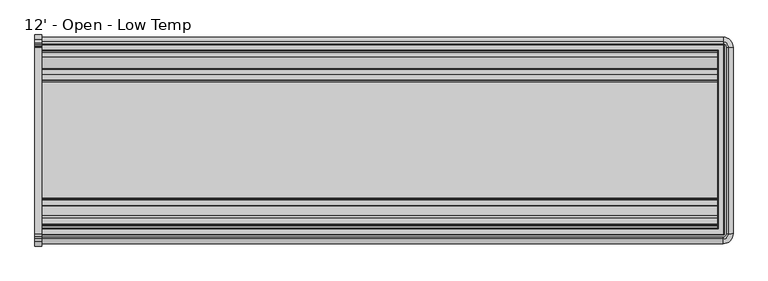
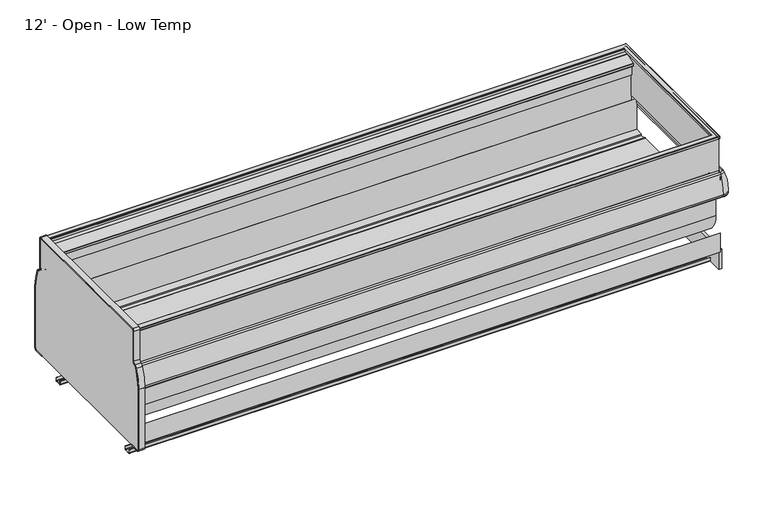
"""IFC4 building model written with IfcOpenShell, lengths in millimetres: proxy geometry, 12' - Open - Low Temp."""

from ifc_helpers import new_model, si_unit, point, frame, frame_2d, origin, place, context, project, spatial, polyline, circle_curve, ellipse_curve, trimmed, segment, composite_curve, outline, extrude, source, transform, mapped, element, save
from ifc_brep_helpers import plane_surface, cylinder_surface, revolved_surface, advanced_brep


def proxy_12_open_low_temp_ffdd894d(model_context):
    return source(origin(), model_context, "Body", "SolidModel", [
        extrude(outline(composite_curve([segment(trimmed(circle_curve(frame_2d((-706.3089273, 750.8546562)), 311.15), [point((-395.1589273, 750.8546562))], [point((-421.4314087, 875.9910693))], True, "CARTESIAN"), True, "CONTINUOUS"), segment(trimmed(circle_curve(frame_2d((-438.8728894, 868.3296562)), 19.05), [point((-421.4314087, 875.9910693))], [point((-432.2872626, 886.2051148))], True, "CARTESIAN"), True, "CONTINUOUS"), segment(trimmed(circle_curve(frame_2d((-423.5064268, 910.0390596)), 25.4), [point((-432.2872626, 886.2051148))], [point((-448.9064268, 910.0390596))], False, "CARTESIAN"), True, "CONTINUOUS"), segment(polyline([(-448.9064268, 910.0390596), (-448.9064268, 1109.56602)]), True, "CONTINUOUS"), segment(trimmed(circle_curve(frame_2d((-455.2564268, 1109.56602)), 6.35), [point((-448.9064268, 1109.56602))], [point((-455.2564268, 1115.91602))], True, "CARTESIAN"), True, "CONTINUOUS"), segment(polyline([(-455.2564268, 1115.91602), (-1468.5364278, 1115.91602)]), True, "CONTINUOUS"), segment(trimmed(circle_curve(frame_2d((-1468.5364278, 1109.56602)), 6.35), [point((-1468.5364278, 1115.91602))], [point((-1474.8864278, 1109.56602))], True, "CARTESIAN"), True, "CONTINUOUS"), segment(polyline([(-1474.8864278, 1109.56602), (-1474.8864278, 910.0390596)]), True, "CONTINUOUS"), segment(trimmed(circle_curve(frame_2d((-1500.2864278, 910.0390596)), 25.4), [point((-1474.8864278, 910.0390596))], [point((-1491.505592, 886.2051148))], False, "CARTESIAN"), True, "CONTINUOUS"), segment(trimmed(circle_curve(frame_2d((-1484.9199652, 868.3296562)), 19.05), [point((-1491.505592, 886.2051148))], [point((-1502.3614459, 875.9910693))], True, "CARTESIAN"), True, "CONTINUOUS"), segment(trimmed(circle_curve(frame_2d((-1217.4839273, 750.8546562)), 311.15), [point((-1502.3614459, 875.9910693))], [point((-1528.6339273, 750.8546562))], True, "CARTESIAN"), True, "CONTINUOUS"), segment(polyline([(-1528.6339273, 750.8546562), (-1528.6339273, 344.70852)]), True, "CONTINUOUS"), segment(trimmed(circle_curve(frame_2d((-1515.9339273, 344.70852)), 12.7), [point((-1528.6339273, 344.70852))], [point((-1515.9339273, 332.00852))], True, "CARTESIAN"), True, "CONTINUOUS"), segment(polyline([(-1515.9339273, 332.00852), (-1455.9322513, 332.00852), (-1455.9322513, 325.65852), (-1515.9339273, 325.65852)]), True, "CONTINUOUS"), segment(trimmed(circle_curve(frame_2d((-1515.9339273, 344.70852)), 19.05), [point((-1515.9339273, 325.65852))], [point((-1534.9839273, 344.70852))], False, "CARTESIAN"), True, "CONTINUOUS"), segment(polyline([(-1534.9839273, 344.70852), (-1534.9839273, 750.8546562)]), True, "CONTINUOUS"), segment(trimmed(circle_curve(frame_2d((-1217.4839273, 750.8546562)), 317.5), [point((-1534.9839273, 750.8546562))], [point((-1508.1752729, 878.5448736))], False, "CARTESIAN"), True, "CONTINUOUS"), segment(trimmed(circle_curve(frame_2d((-1484.9199652, 868.3296562)), 25.4), [point((-1508.1752729, 878.5448736))], [point((-1493.700801, 892.163601))], False, "CARTESIAN"), True, "CONTINUOUS"), segment(trimmed(circle_curve(frame_2d((-1500.2864278, 910.0390596)), 19.05), [point((-1493.700801, 892.163601))], [point((-1481.2364278, 910.0390596))], True, "CARTESIAN"), True, "CONTINUOUS"), segment(polyline([(-1481.2364278, 910.0390596), (-1481.2364278, 1109.56602)]), True, "CONTINUOUS"), segment(trimmed(circle_curve(frame_2d((-1468.5364278, 1109.56602)), 12.7), [point((-1481.2364278, 1109.56602))], [point((-1468.5364278, 1122.26602))], False, "CARTESIAN"), True, "CONTINUOUS"), segment(polyline([(-1468.5364278, 1122.26602), (-455.2564268, 1122.26602)]), True, "CONTINUOUS"), segment(trimmed(circle_curve(frame_2d((-455.2564268, 1109.56602)), 12.7), [point((-455.2564268, 1122.26602))], [point((-442.5564268, 1109.56602))], False, "CARTESIAN"), True, "CONTINUOUS"), segment(polyline([(-442.5564268, 1109.56602), (-442.5564268, 910.0390596)]), True, "CONTINUOUS"), segment(trimmed(circle_curve(frame_2d((-423.5064268, 910.0390596)), 19.05), [point((-442.5564268, 910.0390596))], [point((-430.0920536, 892.163601))], True, "CARTESIAN"), True, "CONTINUOUS"), segment(trimmed(circle_curve(frame_2d((-438.8728894, 868.3296562)), 25.4), [point((-430.0920536, 892.163601))], [point((-415.6175817, 878.5448736))], False, "CARTESIAN"), True, "CONTINUOUS"), segment(trimmed(circle_curve(frame_2d((-706.3089273, 750.8546562)), 317.5), [point((-415.6175817, 878.5448736))], [point((-388.8089273, 750.8546562))], False, "CARTESIAN"), True, "CONTINUOUS"), segment(polyline([(-388.8089273, 750.8546562), (-388.8089273, 344.70852)]), True, "CONTINUOUS"), segment(trimmed(circle_curve(frame_2d((-407.8589273, 344.70852)), 19.05), [point((-388.8089273, 344.70852))], [point((-407.8589273, 325.65852))], False, "CARTESIAN"), True, "CONTINUOUS"), segment(polyline([(-407.8589273, 325.65852), (-466.0942513, 325.65852), (-466.0942513, 332.00852), (-407.8589273, 332.00852)]), True, "CONTINUOUS"), segment(trimmed(circle_curve(frame_2d((-407.8589273, 344.70852)), 12.7), [point((-407.8589273, 332.00852))], [point((-395.1589273, 344.70852))], True, "CARTESIAN"), True, "CONTINUOUS"), segment(polyline([(-395.1589273, 344.70852), (-395.1589273, 750.8546562)]), True, "CONTINUOUS")], self_intersect=False)), frame((-38.1, 0.0, 0.0), z_axis=(1.0, 0.0, 0.0), x_axis=(0.0, 1.0, 0.0)), (0.0, 0.0, 1.0), 38.1),
        extrude(outline(composite_curve([segment(polyline([(-395.1589273, 750.8546562), (-395.1589273, 344.70852)]), True, "CONTINUOUS"), segment(trimmed(circle_curve(frame_2d((-407.8589273, 344.70852)), 12.7), [point((-395.1589273, 344.70852))], [point((-407.8589273, 332.00852))], False, "CARTESIAN"), True, "CONTINUOUS"), segment(polyline([(-407.8589273, 332.00852), (-1515.9339273, 332.00852)]), True, "CONTINUOUS"), segment(trimmed(circle_curve(frame_2d((-1515.9339273, 344.70852)), 12.7), [point((-1515.9339273, 332.00852))], [point((-1528.6339273, 344.70852))], False, "CARTESIAN"), True, "CONTINUOUS"), segment(polyline([(-1528.6339273, 344.70852), (-1528.6339273, 750.8546562)]), True, "CONTINUOUS"), segment(trimmed(circle_curve(frame_2d((-1217.4839273, 750.8546562)), 311.15), [point((-1528.6339273, 750.8546562))], [point((-1502.3614459, 875.9910693))], False, "CARTESIAN"), True, "CONTINUOUS"), segment(trimmed(circle_curve(frame_2d((-1484.9199652, 868.3296562)), 19.05), [point((-1502.3614459, 875.9910693))], [point((-1491.505592, 886.2051148))], False, "CARTESIAN"), True, "CONTINUOUS"), segment(trimmed(circle_curve(frame_2d((-1500.2864278, 910.0390596)), 25.4), [point((-1491.505592, 886.2051148))], [point((-1474.8864278, 910.0390596))], True, "CARTESIAN"), True, "CONTINUOUS"), segment(polyline([(-1474.8864278, 910.0390596), (-1474.8864278, 1109.56602)]), True, "CONTINUOUS"), segment(trimmed(circle_curve(frame_2d((-1468.5364278, 1109.56602)), 6.35), [point((-1474.8864278, 1109.56602))], [point((-1468.5364278, 1115.91602))], False, "CARTESIAN"), True, "CONTINUOUS"), segment(polyline([(-1468.5364278, 1115.91602), (-455.2564268, 1115.91602)]), True, "CONTINUOUS"), segment(trimmed(circle_curve(frame_2d((-455.2564268, 1109.56602)), 6.35), [point((-455.2564268, 1115.91602))], [point((-448.9064268, 1109.56602))], False, "CARTESIAN"), True, "CONTINUOUS"), segment(polyline([(-448.9064268, 1109.56602), (-448.9064268, 910.0390596)]), True, "CONTINUOUS"), segment(trimmed(circle_curve(frame_2d((-423.5064268, 910.0390596)), 25.4), [point((-448.9064268, 910.0390596))], [point((-432.2872626, 886.2051148))], True, "CARTESIAN"), True, "CONTINUOUS"), segment(trimmed(circle_curve(frame_2d((-438.8728894, 868.3296562)), 19.05), [point((-432.2872626, 886.2051148))], [point((-421.4314087, 875.9910693))], False, "CARTESIAN"), True, "CONTINUOUS"), segment(trimmed(circle_curve(frame_2d((-706.3089273, 750.8546562)), 311.15), [point((-421.4314087, 875.9910693))], [point((-395.1589273, 750.8546562))], False, "CARTESIAN"), True, "CONTINUOUS")], self_intersect=False)), frame((-38.1, 0.0, 0.0), z_axis=(1.0, 0.0, 0.0), x_axis=(0.0, 1.0, 0.0)), (0.0, 0.0, 1.0), 38.1),
        extrude(outline(polyline([(3726.649374, -466.0942513), (3726.649374, -1455.9322513), (3706.5148438, -1455.9322513), (3706.5148438, -466.0942513), (3726.649374, -466.0942513)])), frame((0.0, 0.0, 202.18277), z_axis=(0.0, 0.0, 1.0), x_axis=(1.0, 0.0, 0.0)), (0.0, 0.0, 1.0), 129.82575),
        extrude(outline(composite_curve([segment(trimmed(circle_curve(frame_2d((-631.6006513, 595.49542)), 6.35), [point((-637.6294873, 593.50152))], [point((-631.6006513, 589.14542))], True, "CARTESIAN"), True, "CONTINUOUS"), segment(polyline([(-631.6006513, 589.14542), (-603.0256513, 589.14542), (-603.0256513, 586.78322), (-1312.6508513, 586.78322), (-1312.6508513, 589.14542), (-1284.0758513, 589.14542)]), True, "CONTINUOUS"), segment(trimmed(circle_curve(frame_2d((-1284.0758513, 595.49542)), 6.35), [point((-1284.0758513, 589.14542))], [point((-1278.0470154, 593.50152))], True, "CARTESIAN"), True, "CONTINUOUS"), segment(trimmed(circle_curve(frame_2d((-1272.0181794, 591.50762)), 6.35), [point((-1278.0470154, 593.50152))], [point((-1272.0181794, 597.85762))], False, "CARTESIAN"), True, "CONTINUOUS"), segment(polyline([(-1272.0181794, 597.85762), (-643.6583232, 597.85762)]), True, "CONTINUOUS"), segment(trimmed(circle_curve(frame_2d((-643.6583232, 591.50762)), 6.35), [point((-643.6583232, 597.85762))], [point((-637.6294873, 593.50152))], False, "CARTESIAN"), True, "CONTINUOUS")], self_intersect=False)), frame((0.0, 0.0, 0.0), z_axis=(1.0, 0.0, 0.0), x_axis=(0.0, 1.0, 0.0)), (0.0, 0.0, 1.0), 3706.5148438),
        extrude(outline(polyline([(-1323.1509772, 332.00852), (-1475.9703113, 332.00852), (-1475.9703113, 460.2391669), (-1323.1509772, 332.00852)])), frame((0.0, 0.0, 0.0), z_axis=(1.0, 0.0, 0.0), x_axis=(0.0, 1.0, 0.0)), (0.0, 0.0, 1.0), 3706.5148438),
        extrude(outline(composite_curve([segment(polyline([(-1320.1946513, 227.08747), (-1320.1946513, 207.33897)]), True, "CONTINUOUS"), segment(trimmed(circle_curve(frame_2d((-1325.3508513, 207.33897)), 5.1562), [point((-1320.1946513, 207.33897))], [point((-1325.3508513, 202.18277))], False, "CARTESIAN"), True, "CONTINUOUS"), segment(polyline([(-1325.3508513, 202.18277), (-1360.5361197, 202.18277)]), True, "CONTINUOUS"), segment(trimmed(circle_curve(frame_2d((-1360.5361197, 207.33897)), 5.1562), [point((-1360.5361197, 202.18277))], [point((-1365.6923197, 207.33897))], False, "CARTESIAN"), True, "CONTINUOUS"), segment(polyline([(-1365.6923197, 207.33897), (-1365.6923197, 227.07477), (-1362.6507513, 227.07477), (-1362.6507513, 207.33897)]), True, "CONTINUOUS"), segment(trimmed(circle_curve(frame_2d((-1360.2631513, 207.33897)), 2.3876), [point((-1362.6507513, 207.33897))], [point((-1360.2631513, 204.95137))], True, "CARTESIAN"), True, "CONTINUOUS"), segment(polyline([(-1360.2631513, 204.95137), (-1325.3508513, 204.95137)]), True, "CONTINUOUS"), segment(trimmed(circle_curve(frame_2d((-1325.3508513, 207.33897)), 2.3876), [point((-1325.3508513, 204.95137))], [point((-1322.9632513, 207.33897))], True, "CARTESIAN"), True, "CONTINUOUS"), segment(polyline([(-1322.9632513, 207.33897), (-1322.9632513, 227.08747), (-1320.1946513, 227.08747)]), True, "CONTINUOUS")], self_intersect=False)), frame((0.0, 0.0, 0.0), z_axis=(1.0, 0.0, 0.0), x_axis=(0.0, 1.0, 0.0)), (0.0, 0.0, 1.0), 3706.5148438),
        extrude(outline(composite_curve([segment(polyline([(-601.8318513, 227.08747), (-599.0632513, 227.08747), (-599.0632513, 207.33897)]), True, "CONTINUOUS"), segment(trimmed(circle_curve(frame_2d((-596.6756513, 207.33897)), 2.3876), [point((-599.0632513, 207.33897))], [point((-596.6756513, 204.95137))], True, "CARTESIAN"), True, "CONTINUOUS"), segment(polyline([(-596.6756513, 204.95137), (-561.7633513, 204.95137)]), True, "CONTINUOUS"), segment(trimmed(circle_curve(frame_2d((-561.7633513, 207.33897)), 2.3876), [point((-561.7633513, 204.95137))], [point((-559.3757513, 207.33897))], True, "CARTESIAN"), True, "CONTINUOUS"), segment(polyline([(-559.3757513, 207.33897), (-559.3757513, 227.07477), (-556.6071513, 227.07477), (-556.6071513, 207.33897)]), True, "CONTINUOUS"), segment(trimmed(circle_curve(frame_2d((-561.7633513, 207.33897)), 5.1562), [point((-556.6071513, 207.33897))], [point((-561.7633513, 202.18277))], False, "CARTESIAN"), True, "CONTINUOUS"), segment(polyline([(-561.7633513, 202.18277), (-596.6756513, 202.18277)]), True, "CONTINUOUS"), segment(trimmed(circle_curve(frame_2d((-596.6756513, 207.33897)), 5.1562), [point((-596.6756513, 202.18277))], [point((-601.8318513, 207.33897))], False, "CARTESIAN"), True, "CONTINUOUS"), segment(polyline([(-601.8318513, 207.33897), (-601.8318513, 227.08747)]), True, "CONTINUOUS")], self_intersect=False)), frame((0.0, 0.0, 0.0), z_axis=(1.0, 0.0, 0.0), x_axis=(0.0, 1.0, 0.0)), (0.0, 0.0, 1.0), 3706.5148438),
        extrude(outline(polyline([(3672.0859375, -535.8055412), (3672.0859375, -559.6180412), (0.0, -559.6180412), (0.0, -535.8055412), (3672.0859375, -535.8055412)])), frame((0.0, 0.0, 986.69352), z_axis=(0.0, 0.0, 1.0), x_axis=(1.0, 0.0, 0.0)), (0.0, 0.0, 1.0), 76.2),
        extrude(outline(composite_curve([segment(polyline([(-559.6180412, 1062.89352), (-559.6180412, 1051.0452374), (-571.7875237, 1051.0452374)]), True, "CONTINUOUS"), segment(trimmed(circle_curve(frame_2d((-571.7875237, 1053.3566374)), 2.3114), [point((-571.7875237, 1051.0452374))], [point((-574.0989237, 1053.3566374))], False, "CARTESIAN"), True, "CONTINUOUS"), segment(polyline([(-574.0989237, 1053.3566374), (-574.0989237, 1067.7909777)]), True, "CONTINUOUS"), segment(trimmed(circle_curve(frame_2d((-571.7875237, 1067.7909777)), 2.3114), [point((-574.0989237, 1067.7909777))], [point((-572.578069, 1069.9629832))], False, "CARTESIAN"), True, "CONTINUOUS"), segment(polyline([(-572.578069, 1069.9629832), (-507.7688069, 1093.5516255)]), True, "CONTINUOUS"), segment(trimmed(circle_curve(frame_2d((-506.9782615, 1091.37962)), 2.3114), [point((-507.7688069, 1093.5516255))], [point((-506.9782615, 1093.69102))], False, "CARTESIAN"), True, "CONTINUOUS"), segment(polyline([(-506.9782615, 1093.69102), (-482.2433533, 1093.69102), (-482.2433533, 840.41492), (-498.2829273, 840.41492), (-498.2829273, 808.60777), (-549.0765773, 808.60777), (-549.0765773, 986.69352), (-535.8055412, 986.69352), (-535.8055412, 1062.89352), (-559.6180412, 1062.89352)]), True, "CONTINUOUS")], self_intersect=False)), frame((0.0, 0.0, 0.0), z_axis=(1.0, 0.0, 0.0), x_axis=(0.0, 1.0, 0.0)), (0.0, 0.0, 1.0), 3672.0859375),
        extrude(outline(composite_curve([segment(trimmed(circle_curve(frame_2d((-1417.1508503, 841.4633151)), 1.0483951), [point((-1417.1508503, 840.41492))], [point((-1418.1992454, 841.4633151))], False, "CARTESIAN"), True, "CONTINUOUS"), segment(polyline([(-1418.1992454, 841.4633151), (-1418.1992454, 861.3823037)]), True, "CONTINUOUS"), segment(trimmed(circle_curve(frame_2d((-1416.8146291, 861.3823037)), 1.3846163), [point((-1418.1992454, 861.3823037))], [point((-1416.8146291, 862.76692))], False, "CARTESIAN"), True, "CONTINUOUS"), segment(polyline([(-1416.8146291, 862.76692), (-1380.8816013, 862.76692), (-1380.8816013, 840.41492), (-1417.1508503, 840.41492)]), True, "CONTINUOUS")], self_intersect=False)), frame((0.0, 0.0, 0.0), z_axis=(1.0, 0.0, 0.0), x_axis=(0.0, 1.0, 0.0)), (0.0, 0.0, 1.0), 3672.0859375),
        extrude(outline(polyline([(3672.0859375, -1371.3566013), (3672.0859375, -1380.8816013), (0.0, -1380.8816013), (0.0, -1371.3566013), (3672.0859375, -1371.3566013)])), frame((0.0, 0.0, 830.58512), z_axis=(0.0, 0.0, 1.0), x_axis=(1.0, 0.0, 0.0)), (0.0, 0.0, 1.0), 156.1084),
        extrude(outline(composite_curve([segment(polyline([(-498.2829273, 808.60777), (-498.2829273, 567.7232408)]), True, "CONTINUOUS"), segment(trimmed(circle_curve(frame_2d((-650.6829273, 567.7232408)), 152.4), [point((-498.2829273, 567.7232408))], [point((-645.364244, 415.4160788))], False, "CARTESIAN"), True, "CONTINUOUS"), segment(polyline([(-645.364244, 415.4160788), (-1266.4759331, 393.268902)]), True, "CONTINUOUS"), segment(trimmed(circle_curve(frame_2d((-1271.9033854, 545.4803582)), 152.3081897), [point((-1266.4759331, 393.268902))], [point((-1424.2105725, 546.0329855))], False, "CARTESIAN"), True, "CONTINUOUS"), segment(polyline([(-1424.2105725, 546.0329855), (-1424.2105725, 840.41492), (-1380.8816013, 840.41492), (-1380.8816013, 830.58512), (-1371.3566013, 830.58512), (-1371.3566013, 599.8346341), (-1319.1220273, 599.8346341), (-1319.1220273, 582.1562341), (-602.2578273, 582.1562341), (-602.2578273, 599.34352), (-549.0765773, 599.34352), (-549.0765773, 808.60777), (-498.2829273, 808.60777)]), True, "CONTINUOUS")], self_intersect=False)), frame((0.0, 0.0, 0.0), z_axis=(1.0, 0.0, 0.0), x_axis=(0.0, 1.0, 0.0)), (0.0, 0.0, 1.0), 3706.5148438),
        advanced_brep(
        [(0.0, -1468.5687513, 1099.2231802), (0.0, -1469.9408252, 1096.6426846), (0.0, -1472.8095089, 1097.3049725), (0.0, -1473.2477185, 1109.8536533), (0.0, -1470.9377266, 1112.24572), (0.0, -1441.7098388, 1112.24572), (0.0, -1439.3984388, 1109.93432), (0.0, -1439.3984388, 1097.94552), (0.0, -1441.5812513, 1097.94552), (0.0, -1441.5812513, 1108.82942), (0.0, -1468.5687513, 1108.82942), (0.0, -446.0758361, 1099.2231802), (0.0, -446.0758361, 1108.82942), (0.0, -473.0633361, 1108.82942), (0.0, -473.0633361, 1097.94552), (0.0, -475.2461486, 1097.94552), (0.0, -475.2461486, 1109.93432), (0.0, -472.9347486, 1112.24572), (0.0, -443.7068608, 1112.24572), (0.0, -441.3968689, 1109.8536533), (0.0, -441.8350785, 1097.3049725), (0.0, -444.7037622, 1096.6426846), (3699.134824, -446.0758361, 1099.2231802), (3699.134824, -446.0758361, 1108.82942), (3699.134824, -1468.5687513, 1108.82942), (3672.147324, -1441.5812513, 1108.82942), (3672.147324, -473.0633361, 1108.82942), (3672.147324, -473.0633361, 1097.94552), (3672.147324, -1441.5812513, 1097.94552), (3669.9645115, -1439.3984388, 1097.94552), (3669.9645115, -475.2461486, 1097.94552), (3669.9645115, -475.2461486, 1109.93432), (3672.2759115, -472.9347486, 1112.24572), (3672.2759115, -1441.7098388, 1112.24572), (3701.5037993, -1470.9377266, 1112.24572), (3701.5037993, -443.7068608, 1112.24572), (3703.8137912, -441.3968689, 1109.8536533), (3703.3755816, -441.8350785, 1097.3049725), (3700.5068979, -444.7037622, 1096.6426846), (3699.134824, -1468.5687513, 1099.2231802), (3669.9645115, -1439.3984388, 1109.93432), (3703.8137912, -1473.2477185, 1109.8536533), (3703.3755816, -1472.8095089, 1097.3049725), (3700.5068979, -1469.9408252, 1096.6426846)],
        [
            (0, 1),
            (1, 2, circle_curve(frame((0.0, -1471.2864373, 1097.3581593), z_axis=(-1.0, 0.0, 0.0), x_axis=(0.0, -1.0, 0.0)), 1.524)),
            (2, 3),
            (3, 4, circle_curve(frame((0.0, -1470.9377266, 1109.93432), z_axis=(-1.0, 0.0, 0.0), x_axis=(0.0, -1.0, 0.0)), 2.3114)),
            (4, 5),
            (5, 6, circle_curve(frame((0.0, -1441.7098388, 1109.93432), z_axis=(-1.0, 0.0, 0.0), x_axis=(0.0, -1.0, 0.0)), 2.3114)),
            (6, 7),
            (7, 8),
            (8, 9),
            (9, 10),
            (10, 0),
            (11, 12),
            (12, 13),
            (13, 14),
            (14, 15),
            (15, 16),
            (16, 17, circle_curve(frame((0.0, -472.9347486, 1109.93432), z_axis=(-1.0, 0.0, 0.0), x_axis=(0.0, 1.0, 0.0)), 2.3114)),
            (17, 18),
            (18, 19, circle_curve(frame((0.0, -443.7068608, 1109.93432), z_axis=(-1.0, 0.0, 0.0), x_axis=(0.0, 1.0, 0.0)), 2.3114)),
            (19, 20),
            (20, 21, circle_curve(frame((0.0, -443.3581501, 1097.3581593), z_axis=(-1.0, 0.0, 0.0), x_axis=(0.0, 1.0, 0.0)), 1.524)),
            (21, 11),
            (11, 22),
            (22, 23),
            (23, 12),
            (23, 24),
            (24, 10),
            (9, 25),
            (25, 26),
            (26, 13),
            (26, 27),
            (27, 14),
            (27, 28),
            (28, 8),
            (7, 29),
            (29, 30),
            (30, 15),
            (30, 31),
            (31, 16),
            (31, 32, ellipse_curve(frame((3672.2759115, -472.9347486, 1109.93432), z_axis=(-0.7071067811865475, 0.7071067811865475, 0.0), x_axis=(-0.7071067811865476, -0.7071067811865474, 0.0)), 3.2688132, 2.3114)),
            (32, 17),
            (32, 33),
            (33, 5),
            (4, 34),
            (34, 35),
            (35, 18),
            (35, 36, ellipse_curve(frame((3701.5037993, -443.7068608, 1109.93432), z_axis=(-0.7071067811865475, 0.7071067811865475, 0.0), x_axis=(-0.7071067811865476, -0.7071067811865474, 0.0)), 3.2688132, 2.3114)),
            (36, 19),
            (36, 37),
            (37, 20),
            (37, 38, ellipse_curve(frame((3701.85251, -443.3581501, 1097.3581593), z_axis=(-0.7071067811865475, 0.7071067811865475, 0.0), x_axis=(-0.7071067811865476, -0.7071067811865474, 0.0)), 2.1552615, 1.524)),
            (38, 21),
            (38, 22),
            (22, 39),
            (39, 24),
            (25, 28),
            (29, 40),
            (40, 31),
            (40, 33, ellipse_curve(frame((3672.2759115, -1441.7098388, 1109.93432), z_axis=(0.7071067811865475, 0.7071067811865475, 0.0), x_axis=(-0.7071067811865474, 0.7071067811865476, 0.0)), 3.2688132, 2.3114)),
            (34, 41, ellipse_curve(frame((3701.5037993, -1470.9377266, 1109.93432), z_axis=(0.7071067811865475, 0.7071067811865475, 0.0), x_axis=(-0.7071067811865474, 0.7071067811865476, 0.0)), 3.2688132, 2.3114)),
            (41, 36),
            (41, 42),
            (42, 37),
            (42, 43, ellipse_curve(frame((3701.85251, -1471.2864373, 1097.3581593), z_axis=(0.7071067811865475, 0.7071067811865475, 0.0), x_axis=(-0.7071067811865474, 0.7071067811865476, 0.0)), 2.1552615, 1.524)),
            (43, 38),
            (43, 39),
            (39, 0),
            (6, 40),
            (3, 41),
            (2, 42),
            (1, 43),
        ],
        [
            plane_surface(frame((0.0, -1522.2839273, 844.55), z_axis=(-1.0, 0.0, 0.0), x_axis=(0.0, 0.0, 1.0))),
            plane_surface(frame((0.0, -392.3606601, 844.55), z_axis=(-1.0, 0.0, 0.0), x_axis=(0.0, 0.0, 1.0))),
            plane_surface(frame((0.0, -446.0758361, 1099.2231802), z_axis=(0.0, -1.0, 0.0), x_axis=(1.0, 0.0, 0.0))),
            plane_surface(frame((0.0, -446.0758361, 1108.82942), z_axis=(0.0, 0.0, -1.0), x_axis=(1.0, 0.0, 0.0))),
            plane_surface(frame((0.0, -473.0633361, 1108.82942), z_axis=(0.0, 1.0, 0.0), x_axis=(1.0, 0.0, 0.0))),
            plane_surface(frame((0.0, -473.0633361, 1097.94552), z_axis=(0.0, 0.0, -1.0), x_axis=(1.0, 0.0, 0.0))),
            plane_surface(frame((0.0, -475.2461486, 1097.94552), z_axis=(0.0, -1.0, 0.0), x_axis=(1.0, 0.0, 0.0))),
            cylinder_surface(frame((0.0, -472.9347486, 1109.93432), z_axis=(-1.0, 0.0, 0.0), x_axis=(0.0, 1.0, 0.0)), 2.3114),
            plane_surface(frame((0.0, -472.9347486, 1112.24572), z_axis=(0.0, 0.0, 1.0), x_axis=(1.0, 0.0, 0.0))),
            cylinder_surface(frame((0.0, -443.7068608, 1109.93432), z_axis=(-1.0, 0.0, 0.0), x_axis=(0.0, 1.0, 0.0)), 2.3114),
            plane_surface(frame((0.0, -441.3968689, 1109.8536533), z_axis=(0.0, 0.9993908270194976, -0.03489949669099775), x_axis=(1.0, 0.0, 0.0))),
            cylinder_surface(frame((0.0, -443.3581501, 1097.3581593), z_axis=(-1.0, 0.0, 0.0), x_axis=(0.0, 1.0, 0.0)), 1.524),
            plane_surface(frame((0.0, -444.7037622, 1096.6426846), z_axis=(0.0, -0.8829475928207327, -0.469471562857724), x_axis=(1.0, 0.0, 0.0))),
            plane_surface(frame((3699.134824, -446.0758361, 1099.2231802), z_axis=(-1.0, 0.0, 0.0), x_axis=(0.0, -1.0, 0.0))),
            plane_surface(frame((3672.147324, -473.0633361, 1108.82942), z_axis=(1.0, 0.0, 0.0), x_axis=(0.0, -1.0, 0.0))),
            plane_surface(frame((3669.9645115, -475.2461486, 1097.94552), z_axis=(-1.0, 0.0, 0.0), x_axis=(0.0, -1.0, 0.0))),
            cylinder_surface(frame((3672.2759115, -392.3606601, 1109.93432), z_axis=(0.0, 1.0, 0.0), x_axis=(1.0, 0.0, 0.0)), 2.3114),
            cylinder_surface(frame((3701.5037993, -392.3606601, 1109.93432), z_axis=(0.0, 1.0, 0.0), x_axis=(1.0, 0.0, 0.0)), 2.3114),
            plane_surface(frame((3703.8137912, -441.3968689, 1109.8536533), z_axis=(0.9993908270194976, 0.0, -0.03489949669099775), x_axis=(0.0, -1.0, 0.0))),
            cylinder_surface(frame((3701.85251, -392.3606601, 1097.3581593), z_axis=(0.0, 1.0, 0.0), x_axis=(1.0, 0.0, 0.0)), 1.524),
            plane_surface(frame((3700.5068979, -444.7037622, 1096.6426846), z_axis=(-0.8829475928207327, 0.0, -0.469471562857724), x_axis=(0.0, -1.0, 0.0))),
            plane_surface(frame((3699.134824, -1468.5687513, 1099.2231802), z_axis=(0.0, 1.0, 0.0), x_axis=(-1.0, 0.0, 0.0))),
            plane_surface(frame((3672.147324, -1441.5812513, 1108.82942), z_axis=(0.0, -1.0, 0.0), x_axis=(-1.0, 0.0, 0.0))),
            plane_surface(frame((3669.9645115, -1439.3984388, 1097.94552), z_axis=(0.0, 1.0, 0.0), x_axis=(-1.0, 0.0, 0.0))),
            cylinder_surface(frame((3752.85, -1441.7098388, 1109.93432), z_axis=(1.0, 0.0, 0.0), x_axis=(0.0, -1.0, 0.0)), 2.3114),
            cylinder_surface(frame((3752.85, -1470.9377266, 1109.93432), z_axis=(1.0, 0.0, 0.0), x_axis=(0.0, -1.0, 0.0)), 2.3114),
            plane_surface(frame((3703.8137912, -1473.2477185, 1109.8536533), z_axis=(0.0, -0.9993908270194976, -0.03489949669099775), x_axis=(-1.0, 0.0, 0.0))),
            cylinder_surface(frame((3752.85, -1471.2864373, 1097.3581593), z_axis=(1.0, 0.0, 0.0), x_axis=(0.0, -1.0, 0.0)), 1.524),
            plane_surface(frame((3700.5068979, -1469.9408252, 1096.6426846), z_axis=(0.0, 0.8829475928207327, -0.469471562857724), x_axis=(-1.0, 0.0, 0.0))),
        ],
        [
            (0, [[1, 2, 3, 4, 5, 6, 7, 8, 9, 10, 11]]),
            (1, [[12, 13, 14, 15, 16, 17, 18, 19, 20, 21, 22]]),
            (2, [[-12, 23, 24, 25]]),
            (3, [[-13, -25, 26, 27, -10, 28, 29, 30]]),
            (4, [[-14, -30, 31, 32]]),
            (5, [[-15, -32, 33, 34, -8, 35, 36, 37]]),
            (6, [[-16, -37, 38, 39]]),
            (7, [[-17, -39, 40, 41]]),
            (8, [[-18, -41, 42, 43, -5, 44, 45, 46]]),
            (9, [[-19, -46, 47, 48]]),
            (10, [[-20, -48, 49, 50]]),
            (11, [[-21, -50, 51, 52]]),
            (12, [[-22, -52, 53, -23]]),
            (13, [[-24, 54, 55, -26]]),
            (14, [[-31, -29, 56, -33]]),
            (15, [[-38, -36, 57, 58]]),
            (16, [[-40, -58, 59, -42]]),
            (17, [[-47, -45, 60, 61]]),
            (18, [[-49, -61, 62, 63]]),
            (19, [[-51, -63, 64, 65]]),
            (20, [[-53, -65, 66, -54]]),
            (21, [[-55, 67, -11, -27]]),
            (22, [[-56, -28, -9, -34]]),
            (23, [[-57, -35, -7, 68]]),
            (24, [[-59, -68, -6, -43]]),
            (25, [[-60, -44, -4, 69]]),
            (26, [[-62, -69, -3, 70]]),
            (27, [[-64, -70, -2, 71]]),
            (28, [[-66, -71, -1, -67]]),
        ],
    ),
        extrude(outline(polyline([(0.0, -482.2433533), (0.0, -455.2564268), (3699.1025005, -455.2564268), (3699.1025005, -1468.5364278), (0.0, -1468.5364278), (0.0, -1441.5495013), (3672.115574, -1441.5495013), (3672.115574, -482.2433533), (0.0, -482.2433533)])), frame((0.0, 0.0, 840.41492), z_axis=(0.0, 0.0, 1.0), x_axis=(1.0, 0.0, 0.0)), (0.0, 0.0, 1.0), 268.4145),
        advanced_brep(
        [(0.0, -438.8728894, 881.0296562), (0.0, -452.8208821, 881.0296562), (3699.51, -452.8208821, 881.0296562), (3701.5380452, -454.8489273, 881.0296562), (3701.5380452, -1468.9439273, 881.0296562), (3699.51, -1470.9719725, 881.0296562), (0.0, -1470.9719725, 881.0296562), (0.0, -1484.9199652, 881.0296562), (3699.51, -1484.9199652, 881.0296562), (3715.4860379, -1468.9439273, 881.0296562), (3715.4860379, -454.8489273, 881.0296562), (3699.51, -438.8728894, 881.0296562), (0.0, -427.2452356, 873.4372649), (3699.51, -427.2452356, 873.4372649), (0.0, -401.5089273, 750.8546562), (3699.51, -401.5089273, 750.8546562), (0.0, -401.5089273, 739.0203101), (3699.51, -401.5089273, 739.0203101), (0.0, -405.6318205, 733.6472511), (3699.51, -405.6318205, 733.6472511), (0.0, -412.7928603, 731.7284562), (3699.51, -412.7928603, 731.7284562), (0.0, -427.7095533, 731.7284562), (3741.566067, -454.8489273, 731.7284562), (3741.566067, -1468.9439273, 731.7284562), (3699.51, -1510.9999943, 731.7284562), (0.0, -1510.9999943, 731.7284562), (0.0, -1496.0833013, 731.7284562), (3699.51, -1496.0833013, 731.7284562), (3726.649374, -1468.9439273, 731.7284562), (3726.649374, -454.8489273, 731.7284562), (3699.51, -427.7095533, 731.7284562), (3727.1136917, -454.8489273, 873.4372649), (3752.85, -454.8489273, 750.8546562), (3752.85, -454.8489273, 739.0203101), (3748.7271068, -454.8489273, 733.6472511), (3727.1136917, -1468.9439273, 873.4372649), (3752.85, -1468.9439273, 750.8546562), (3752.85, -1468.9439273, 739.0203101), (3748.7271068, -1468.9439273, 733.6472511), (3699.51, -1496.547619, 873.4372649), (3699.51, -1522.2839273, 750.8546562), (3699.51, -1522.2839273, 739.0203101), (3699.51, -1518.1610341, 733.6472511), (0.0, -1470.9719725, 840.41492), (0.0, -1475.9703113, 840.41492), (0.0, -1475.9703113, 773.39702), (0.0, -1496.0833013, 773.39702), (0.0, -1518.1610341, 733.6472511), (0.0, -1522.2839273, 739.0203101), (0.0, -1522.2839273, 750.8546562), (0.0, -1496.547619, 873.4372649), (0.0, -427.7095533, 773.39702), (0.0, -447.8225433, 773.39702), (0.0, -447.8225433, 840.41492), (0.0, -452.8208821, 840.41492), (3699.51, -427.7095533, 773.39702), (3726.649374, -454.8489273, 773.39702), (3726.649374, -1468.9439273, 773.39702), (3699.51, -1496.0833013, 773.39702), (3699.51, -1475.9703113, 773.39702), (3706.536384, -1468.9439273, 773.39702), (3706.536384, -454.8489273, 773.39702), (3699.51, -447.8225433, 773.39702), (3699.51, -447.8225433, 840.41492), (3706.536384, -454.8489273, 840.41492), (3706.536384, -1468.9439273, 840.41492), (3699.51, -1475.9703113, 840.41492), (3699.51, -1470.9719725, 840.41492), (3701.5380452, -1468.9439273, 840.41492), (3701.5380452, -454.8489273, 840.41492), (3699.51, -452.8208821, 840.41492)],
        [
            (0, 1),
            (1, 2),
            (2, 3, circle_curve(frame((3699.51, -454.8489273, 881.0296562), z_axis=(0.0, 0.0, -1.0), x_axis=(0.0, 1.0, 0.0)), 2.0280452)),
            (3, 4),
            (4, 5, circle_curve(frame((3699.51, -1468.9439273, 881.0296562), z_axis=(0.0, 0.0, -1.0), x_axis=(1.0, 0.0, 0.0)), 2.0280452)),
            (5, 6),
            (6, 7),
            (7, 8),
            (8, 9, circle_curve(frame((3699.51, -1468.9439273, 881.0296562), z_axis=(0.0, 0.0, 1.0), x_axis=(1.0, 0.0, 0.0)), 15.9760379)),
            (9, 10),
            (10, 11, circle_curve(frame((3699.51, -454.8489273, 881.0296562), z_axis=(0.0, 0.0, 1.0), x_axis=(0.0, 1.0, 0.0)), 15.9760379)),
            (11, 0),
            (12, 0, circle_curve(frame((0.0, -438.8728894, 868.3296562), z_axis=(1.0, 0.0, 0.0), x_axis=(0.0, 1.0, 0.0)), 12.7)),
            (11, 13, circle_curve(frame((3699.51, -438.8728894, 868.3296562), z_axis=(-1.0, 0.0, 0.0), x_axis=(0.0, 1.0, 0.0)), 12.7)),
            (13, 12),
            (14, 12, circle_curve(frame((0.0, -706.3089273, 750.8546562), z_axis=(1.0, 0.0, 0.0), x_axis=(0.0, 1.0, 0.0)), 304.8)),
            (13, 15, circle_curve(frame((3699.51, -706.3089273, 750.8546562), z_axis=(-1.0, 0.0, 0.0), x_axis=(0.0, 1.0, 0.0)), 304.8)),
            (15, 14),
            (16, 14),
            (15, 17),
            (17, 16),
            (18, 16, circle_curve(frame((0.0, -407.0715273, 739.0203101), z_axis=(1.0, 0.0, 0.0), x_axis=(0.0, 1.0, 0.0)), 5.5626)),
            (17, 19, circle_curve(frame((3699.51, -407.0715273, 739.0203101), z_axis=(-1.0, 0.0, 0.0), x_axis=(0.0, 1.0, 0.0)), 5.5626)),
            (19, 18),
            (20, 18),
            (19, 21),
            (21, 20),
            (22, 20),
            (21, 23, circle_curve(frame((3699.51, -454.8489273, 731.7284562), z_axis=(0.0, 0.0, -1.0), x_axis=(0.0, 1.0, 0.0)), 42.056067)),
            (23, 24),
            (24, 25, circle_curve(frame((3699.51, -1468.9439273, 731.7284562), z_axis=(0.0, 0.0, -1.0), x_axis=(1.0, 0.0, 0.0)), 42.056067)),
            (25, 26),
            (26, 27),
            (27, 28),
            (28, 29, circle_curve(frame((3699.51, -1468.9439273, 731.7284562), z_axis=(0.0, 0.0, 1.0), x_axis=(1.0, 0.0, 0.0)), 27.139374)),
            (29, 30),
            (30, 31, circle_curve(frame((3699.51, -454.8489273, 731.7284562), z_axis=(0.0, 0.0, 1.0), x_axis=(0.0, 1.0, 0.0)), 27.139374)),
            (31, 22),
            (32, 13, circle_curve(frame((3699.51, -454.8489273, 873.4372649), z_axis=(0.0, 0.0, 1.0), x_axis=(0.0, 1.0, 0.0)), 27.6036917)),
            (10, 32, circle_curve(frame((3715.4860379, -454.8489273, 868.3296562), z_axis=(0.0, 1.0, 0.0), x_axis=(1.0, 0.0, 0.0)), 12.7)),
            (33, 15, circle_curve(frame((3699.51, -454.8489273, 750.8546562), z_axis=(0.0, 0.0, 1.0), x_axis=(0.0, 1.0, 0.0)), 53.34)),
            (32, 33, circle_curve(frame((3448.05, -454.8489273, 750.8546562), z_axis=(0.0, 1.0, 0.0), x_axis=(1.0, 0.0, 0.0)), 304.8)),
            (34, 17, circle_curve(frame((3699.51, -454.8489273, 739.0203101), z_axis=(0.0, 0.0, 1.0), x_axis=(0.0, 1.0, 0.0)), 53.34)),
            (33, 34),
            (35, 19, circle_curve(frame((3699.51, -454.8489273, 733.6472511), z_axis=(0.0, 0.0, 1.0), x_axis=(0.0, 1.0, 0.0)), 49.2171068)),
            (34, 35, circle_curve(frame((3747.2874, -454.8489273, 739.0203101), z_axis=(0.0, 1.0, 0.0), x_axis=(1.0, 0.0, 0.0)), 5.5626)),
            (35, 23),
            (9, 36, circle_curve(frame((3715.4860379, -1468.9439273, 868.3296562), z_axis=(0.0, 1.0, 0.0), x_axis=(1.0, 0.0, 0.0)), 12.7)),
            (36, 32),
            (36, 37, circle_curve(frame((3448.05, -1468.9439273, 750.8546562), z_axis=(0.0, 1.0, 0.0), x_axis=(1.0, 0.0, 0.0)), 304.8)),
            (37, 33),
            (37, 38),
            (38, 34),
            (38, 39, circle_curve(frame((3747.2874, -1468.9439273, 739.0203101), z_axis=(0.0, 1.0, 0.0), x_axis=(1.0, 0.0, 0.0)), 5.5626)),
            (39, 35),
            (39, 24),
            (40, 36, circle_curve(frame((3699.51, -1468.9439273, 873.4372649), z_axis=(0.0, 0.0, 1.0), x_axis=(1.0, 0.0, 0.0)), 27.6036917)),
            (8, 40, circle_curve(frame((3699.51, -1484.9199652, 868.3296562), z_axis=(1.0, 0.0, 0.0), x_axis=(0.0, -1.0, 0.0)), 12.7)),
            (41, 37, circle_curve(frame((3699.51, -1468.9439273, 750.8546562), z_axis=(0.0, 0.0, 1.0), x_axis=(1.0, 0.0, 0.0)), 53.34)),
            (40, 41, circle_curve(frame((3699.51, -1217.4839273, 750.8546562), z_axis=(1.0, 0.0, 0.0), x_axis=(0.0, -1.0, 0.0)), 304.8)),
            (42, 38, circle_curve(frame((3699.51, -1468.9439273, 739.0203101), z_axis=(0.0, 0.0, 1.0), x_axis=(1.0, 0.0, 0.0)), 53.34)),
            (41, 42),
            (43, 39, circle_curve(frame((3699.51, -1468.9439273, 733.6472511), z_axis=(0.0, 0.0, 1.0), x_axis=(1.0, 0.0, 0.0)), 49.2171068)),
            (42, 43, circle_curve(frame((3699.51, -1516.7213273, 739.0203101), z_axis=(1.0, 0.0, 0.0), x_axis=(0.0, -1.0, 0.0)), 5.5626)),
            (43, 25),
            (6, 44),
            (44, 45),
            (45, 46),
            (46, 47),
            (47, 27),
            (26, 48),
            (48, 49, circle_curve(frame((0.0, -1516.7213273, 739.0203101), z_axis=(-1.0, 0.0, 0.0), x_axis=(0.0, -1.0, 0.0)), 5.5626)),
            (49, 50),
            (50, 51, circle_curve(frame((0.0, -1217.4839273, 750.8546562), z_axis=(-1.0, 0.0, 0.0), x_axis=(0.0, -1.0, 0.0)), 304.8)),
            (51, 7, circle_curve(frame((0.0, -1484.9199652, 868.3296562), z_axis=(-1.0, 0.0, 0.0), x_axis=(0.0, -1.0, 0.0)), 12.7)),
            (51, 40),
            (50, 41),
            (49, 42),
            (48, 43),
            (22, 52),
            (52, 53),
            (53, 54),
            (54, 55),
            (55, 1),
            (52, 56),
            (56, 57, circle_curve(frame((3699.51, -454.8489273, 773.39702), z_axis=(0.0, 0.0, -1.0), x_axis=(0.0, 1.0, 0.0)), 27.139374)),
            (57, 58),
            (58, 59, circle_curve(frame((3699.51, -1468.9439273, 773.39702), z_axis=(0.0, 0.0, -1.0), x_axis=(1.0, 0.0, 0.0)), 27.139374)),
            (59, 47),
            (46, 60),
            (60, 61, circle_curve(frame((3699.51, -1468.9439273, 773.39702), z_axis=(0.0, 0.0, 1.0), x_axis=(1.0, 0.0, 0.0)), 7.026384)),
            (61, 62),
            (62, 63, circle_curve(frame((3699.51, -454.8489273, 773.39702), z_axis=(0.0, 0.0, 1.0), x_axis=(0.0, 1.0, 0.0)), 7.026384)),
            (63, 53),
            (54, 64),
            (64, 65, circle_curve(frame((3699.51, -454.8489273, 840.41492), z_axis=(0.0, 0.0, -1.0), x_axis=(0.0, 1.0, 0.0)), 7.026384)),
            (65, 66),
            (66, 67, circle_curve(frame((3699.51, -1468.9439273, 840.41492), z_axis=(0.0, 0.0, -1.0), x_axis=(1.0, 0.0, 0.0)), 7.026384)),
            (67, 45),
            (44, 68),
            (68, 69, circle_curve(frame((3699.51, -1468.9439273, 840.41492), z_axis=(0.0, 0.0, 1.0), x_axis=(1.0, 0.0, 0.0)), 2.0280452)),
            (69, 70),
            (70, 71, circle_curve(frame((3699.51, -454.8489273, 840.41492), z_axis=(0.0, 0.0, 1.0), x_axis=(0.0, 1.0, 0.0)), 2.0280452)),
            (71, 55),
            (31, 56),
            (63, 64),
            (71, 2),
            (30, 57),
            (62, 65),
            (70, 3),
            (29, 58),
            (61, 66),
            (69, 4),
            (28, 59),
            (60, 67),
            (68, 5),
        ],
        [
            plane_surface(frame((0.0, -452.8208821, 881.0296562), z_axis=(0.0, 0.0, 1.0), x_axis=(1.0, 0.0, 0.0))),
            cylinder_surface(frame((0.0, -438.8728894, 868.3296562), z_axis=(-1.0, 0.0, 0.0), x_axis=(0.0, 1.0, 0.0)), 12.7),
            cylinder_surface(frame((0.0, -706.3089273, 750.8546562), z_axis=(-1.0, 0.0, 0.0), x_axis=(0.0, 1.0, 0.0)), 304.8),
            plane_surface(frame((0.0, -401.5089273, 750.8546562), z_axis=(0.0, 1.0, 0.0), x_axis=(1.0, 0.0, 0.0))),
            cylinder_surface(frame((0.0, -407.0715273, 739.0203101), z_axis=(-1.0, 0.0, 0.0), x_axis=(0.0, 1.0, 0.0)), 5.5626),
            plane_surface(frame((0.0, -405.6318205, 733.6472511), z_axis=(0.0, 0.25881904531072714, -0.9659258262332796), x_axis=(1.0, 0.0, 0.0))),
            plane_surface(frame((0.0, -412.7928603, 731.7284562), z_axis=(0.0, 0.0, -1.0), x_axis=(1.0, 0.0, 0.0))),
            revolved_surface(trimmed(ellipse_curve(frame((3699.51, -438.8728894, 868.3296562), z_axis=(-1.0, 0.0, 0.0), x_axis=(0.0, 1.0, 0.0)), 12.7, 12.7), [point((3699.51, -438.8728894, 881.0296562))], [point((3699.51, -427.2452356, 873.4372649))], True, "CARTESIAN"), (3699.51, -454.8489273, 0.0), (0.0, 0.0, -1.0)),
            revolved_surface(trimmed(ellipse_curve(frame((3699.51, -706.3089273, 750.8546562), z_axis=(-1.0, 0.0, 0.0), x_axis=(0.0, 1.0, 0.0)), 304.8, 304.8), [point((3699.51, -427.2452356, 873.4372649))], [point((3699.51, -401.5089273, 750.8546562))], True, "CARTESIAN"), (3699.51, -454.8489273, 0.0), (0.0, 0.0, -1.0)),
            cylinder_surface(frame((3699.51, -454.8489273, 0.0), z_axis=(0.0, 0.0, -1.0), x_axis=(0.0, 1.0, 0.0)), 53.34),
            revolved_surface(trimmed(ellipse_curve(frame((3699.51, -407.0715273, 739.0203101), z_axis=(-1.0, 0.0, 0.0), x_axis=(0.0, 1.0, 0.0)), 5.5626, 5.5626), [point((3699.51, -401.5089273, 739.0203101))], [point((3699.51, -405.6318205, 733.6472511))], True, "CARTESIAN"), (3699.51, -454.8489273, 0.0), (0.0, 0.0, -1.0)),
            revolved_surface(polyline([(3699.51, -405.6318205, 733.6472511), (3699.51, -412.7928603, 731.7284562)]), (3699.51, -454.8489273, 0.0), (0.0, 0.0, -1.0)),
            cylinder_surface(frame((3715.4860379, -454.8489273, 868.3296562), z_axis=(0.0, 1.0, 0.0), x_axis=(1.0, 0.0, 0.0)), 12.7),
            cylinder_surface(frame((3448.05, -454.8489273, 750.8546562), z_axis=(0.0, 1.0, 0.0), x_axis=(1.0, 0.0, 0.0)), 304.8),
            plane_surface(frame((3752.85, -454.8489273, 750.8546562), z_axis=(1.0, 0.0, 0.0), x_axis=(0.0, -1.0, 0.0))),
            cylinder_surface(frame((3747.2874, -454.8489273, 739.0203101), z_axis=(0.0, 1.0, 0.0), x_axis=(1.0, 0.0, 0.0)), 5.5626),
            plane_surface(frame((3748.7271068, -454.8489273, 733.6472511), z_axis=(0.25881904531072714, 0.0, -0.9659258262332796), x_axis=(0.0, -1.0, 0.0))),
            revolved_surface(trimmed(ellipse_curve(frame((3715.4860379, -1468.9439273, 868.3296562), z_axis=(0.0, 1.0, 0.0), x_axis=(1.0, 0.0, 0.0)), 12.7, 12.7), [point((3715.4860379, -1468.9439273, 881.0296562))], [point((3727.1136917, -1468.9439273, 873.4372649))], True, "CARTESIAN"), (3699.51, -1468.9439273, 0.0), (0.0, 0.0, -1.0)),
            revolved_surface(trimmed(ellipse_curve(frame((3448.05, -1468.9439273, 750.8546562), z_axis=(0.0, 1.0, 0.0), x_axis=(1.0, 0.0, 0.0)), 304.8, 304.8), [point((3727.1136917, -1468.9439273, 873.4372649))], [point((3752.85, -1468.9439273, 750.8546562))], True, "CARTESIAN"), (3699.51, -1468.9439273, 0.0), (0.0, 0.0, -1.0)),
            cylinder_surface(frame((3699.51, -1468.9439273, 0.0), z_axis=(0.0, 0.0, -1.0), x_axis=(1.0, 0.0, 0.0)), 53.34),
            revolved_surface(trimmed(ellipse_curve(frame((3747.2874, -1468.9439273, 739.0203101), z_axis=(0.0, 1.0, 0.0), x_axis=(1.0, 0.0, 0.0)), 5.5626, 5.5626), [point((3752.85, -1468.9439273, 739.0203101))], [point((3748.7271068, -1468.9439273, 733.6472511))], True, "CARTESIAN"), (3699.51, -1468.9439273, 0.0), (0.0, 0.0, -1.0)),
            revolved_surface(polyline([(3748.7271068, -1468.9439273, 733.6472511), (3741.566067, -1468.9439273, 731.7284562)]), (3699.51, -1468.9439273, 0.0), (0.0, 0.0, -1.0)),
            plane_surface(frame((0.0, -1522.2839273, 0.0), z_axis=(-1.0, 0.0, 0.0), x_axis=(0.0, 0.0, 1.0))),
            cylinder_surface(frame((3699.51, -1484.9199652, 868.3296562), z_axis=(1.0, 0.0, 0.0), x_axis=(0.0, -1.0, 0.0)), 12.7),
            cylinder_surface(frame((3699.51, -1217.4839273, 750.8546562), z_axis=(1.0, 0.0, 0.0), x_axis=(0.0, -1.0, 0.0)), 304.8),
            plane_surface(frame((3699.51, -1522.2839273, 750.8546562), z_axis=(0.0, -1.0, 0.0), x_axis=(-1.0, 0.0, 0.0))),
            cylinder_surface(frame((3699.51, -1516.7213273, 739.0203101), z_axis=(1.0, 0.0, 0.0), x_axis=(0.0, -1.0, 0.0)), 5.5626),
            plane_surface(frame((3699.51, -1518.1610341, 733.6472511), z_axis=(0.0, -0.25881904531072714, -0.9659258262332796), x_axis=(-1.0, 0.0, 0.0))),
            plane_surface(frame((0.0, -401.5089273, 0.0), z_axis=(-1.0, 0.0, 0.0), x_axis=(0.0, 0.0, 1.0))),
            plane_surface(frame((0.0, -427.7095533, 773.39702), z_axis=(0.0, 0.0, -1.0), x_axis=(1.0, 0.0, 0.0))),
            plane_surface(frame((0.0, -447.8225433, 840.41492), z_axis=(0.0, 0.0, -1.0), x_axis=(1.0, 0.0, 0.0))),
            plane_surface(frame((0.0, -427.7095533, 731.7284562), z_axis=(0.0, -1.0, 0.0), x_axis=(1.0, 0.0, 0.0))),
            plane_surface(frame((0.0, -447.8225433, 773.39702), z_axis=(0.0, -1.0, 0.0), x_axis=(1.0, 0.0, 0.0))),
            plane_surface(frame((0.0, -452.8208821, 840.41492), z_axis=(0.0, -1.0, 0.0), x_axis=(1.0, 0.0, 0.0))),
            revolved_surface(polyline([(3699.51, -427.70955330000004, 731.7284562), (3699.51, -427.70955330000004, 773.39702)]), (3699.51, -454.8489273, 0.0), (0.0, 0.0, -1.0)),
            revolved_surface(polyline([(3699.51, -447.8225433, 773.39702), (3699.51, -447.8225433, 840.41492)]), (3699.51, -454.8489273, 0.0), (0.0, 0.0, -1.0)),
            revolved_surface(polyline([(3699.51, -452.8208821, 840.41492), (3699.51, -452.8208821, 881.0296562)]), (3699.51, -454.8489273, 0.0), (0.0, 0.0, -1.0)),
            plane_surface(frame((3726.649374, -454.8489273, 731.7284562), z_axis=(-1.0, 0.0, 0.0), x_axis=(0.0, -1.0, 0.0))),
            plane_surface(frame((3706.536384, -454.8489273, 773.39702), z_axis=(-1.0, 0.0, 0.0), x_axis=(0.0, -1.0, 0.0))),
            plane_surface(frame((3701.5380452, -454.8489273, 840.41492), z_axis=(-1.0, 0.0, 0.0), x_axis=(0.0, -1.0, 0.0))),
            revolved_surface(polyline([(3726.649374, -1468.9439273, 731.7284562), (3726.649374, -1468.9439273, 773.39702)]), (3699.51, -1468.9439273, 0.0), (0.0, 0.0, -1.0)),
            revolved_surface(polyline([(3706.536384, -1468.9439273, 773.39702), (3706.536384, -1468.9439273, 840.41492)]), (3699.51, -1468.9439273, 0.0), (0.0, 0.0, -1.0)),
            revolved_surface(polyline([(3701.5380452000004, -1468.9439273, 840.41492), (3701.5380452000004, -1468.9439273, 881.0296562)]), (3699.51, -1468.9439273, 0.0), (0.0, 0.0, -1.0)),
            plane_surface(frame((3699.51, -1496.0833013, 731.7284562), z_axis=(0.0, 1.0, 0.0), x_axis=(-1.0, 0.0, 0.0))),
            plane_surface(frame((3699.51, -1475.9703113, 773.39702), z_axis=(0.0, 1.0, 0.0), x_axis=(-1.0, 0.0, 0.0))),
            plane_surface(frame((3699.51, -1470.9719725, 840.41492), z_axis=(0.0, 1.0, 0.0), x_axis=(-1.0, 0.0, 0.0))),
        ],
        [
            (0, [[1, 2, 3, 4, 5, 6, 7, 8, 9, 10, 11, 12]]),
            (1, [[13, -12, 14, 15]]),
            (2, [[16, -15, 17, 18]]),
            (3, [[19, -18, 20, 21]]),
            (4, [[22, -21, 23, 24]]),
            (5, [[25, -24, 26, 27]]),
            (6, [[28, -27, 29, 30, 31, 32, 33, 34, 35, 36, 37, 38]]),
            (7, [[39, -14, -11, 40]]),
            (8, [[41, -17, -39, 42]]),
            (9, [[43, -20, -41, 44]]),
            (10, [[45, -23, -43, 46]]),
            (11, [[-29, -26, -45, 47]]),
            (12, [[-40, -10, 48, 49]]),
            (13, [[-42, -49, 50, 51]]),
            (14, [[-44, -51, 52, 53]]),
            (15, [[-46, -53, 54, 55]]),
            (16, [[-47, -55, 56, -30]]),
            (17, [[57, -48, -9, 58]]),
            (18, [[59, -50, -57, 60]]),
            (19, [[61, -52, -59, 62]]),
            (20, [[63, -54, -61, 64]]),
            (21, [[-31, -56, -63, 65]]),
            (22, [[66, 67, 68, 69, 70, -33, 71, 72, 73, 74, 75, -7]]),
            (23, [[-58, -8, -75, 76]]),
            (24, [[-60, -76, -74, 77]]),
            (25, [[-62, -77, -73, 78]]),
            (26, [[-64, -78, -72, 79]]),
            (27, [[-65, -79, -71, -32]]),
            (28, [[-1, -13, -16, -19, -22, -25, -28, 80, 81, 82, 83, 84]]),
            (29, [[-81, 85, 86, 87, 88, 89, -69, 90, 91, 92, 93, 94]]),
            (30, [[-83, 95, 96, 97, 98, 99, -67, 100, 101, 102, 103, 104]]),
            (31, [[-80, -38, 105, -85]]),
            (32, [[-82, -94, 106, -95]]),
            (33, [[-84, -104, 107, -2]]),
            (34, [[-86, -105, -37, 108]]),
            (35, [[-96, -106, -93, 109]]),
            (36, [[-3, -107, -103, 110]]),
            (37, [[-108, -36, 111, -87]]),
            (38, [[-109, -92, 112, -97]]),
            (39, [[-110, -102, 113, -4]]),
            (40, [[-88, -111, -35, 114]]),
            (41, [[-98, -112, -91, 115]]),
            (42, [[-5, -113, -101, 116]]),
            (43, [[-114, -34, -70, -89]]),
            (44, [[-115, -90, -68, -99]]),
            (45, [[-116, -100, -66, -6]]),
        ],
    ),
    ])


if __name__ == "__main__":
    model = new_model("IFC4")
    model_context = context("Model", 3, world=origin())
    ifc_project = project(units=[si_unit("LENGTHUNIT", "METRE", prefix="MILLI")], contexts=[model_context])
    site = spatial("IfcSite", under=ifc_project)
    building = spatial("IfcBuilding", under=site)
    placement = place(None, origin())
    proxy_12_open_low_temp_shape = proxy_12_open_low_temp_ffdd894d(model_context)
    element("IfcBuildingElementProxy", 1, Name="12' - Open - Low Temp", ObjectType="12' - Open - Low Temp", at=placement, inside=building, context=model_context, shape_type="MappedRepresentation", body=[
        mapped(proxy_12_open_low_temp_shape, transform((0.0, 0.0, 0.0), x_axis=(1.0, 0.0, 0.0), y_axis=(0.0, 1.0, 0.0), z_axis=(0.0, 0.0, 1.0))),
    ])
    save(model, "model.ifc")
